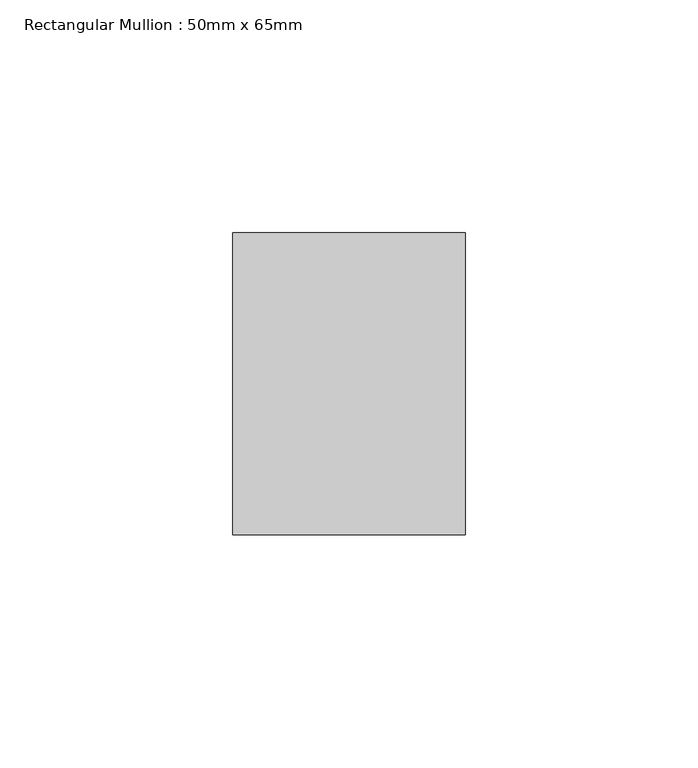
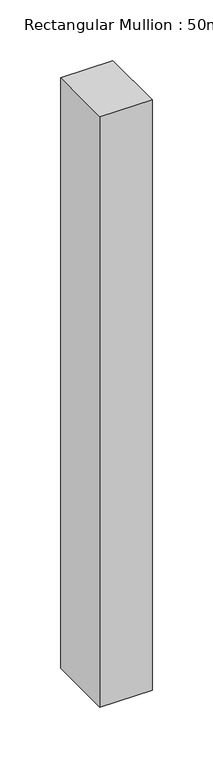
"""IFC4 building model written with IfcOpenShell, lengths in millimetres: member geometry, Rectangular Mullion : 50mm x 65mm."""

import ifcopenshell
import ifcopenshell.guid

model = None  # the IFC model being written
_history = None  # IfcOwnerHistory: only IFC2X3 demands one
_inside = {}  # id of a spatial element -> (the spatial element, [elements in it])
_under = {}  # id of a project, library or spatial element -> (it, [spatial elements below it])
_declared = {}  # id of a project -> (the project, [libraries it declares])
_typed = {}  # id of a type object -> (the type object, [elements of that type])
_made_of = {}  # id of a material, layer set ... -> (it, [elements and type objects made of it])


def new_model(schema):
    """Start an empty IFC model of exactly this schema.

    Asked for "IFC4X3", IfcOpenShell would pick the latest addendum, in which some entities
    have other attributes; the version numbers below select the first issue.
    IFC2X3 requires an IfcOwnerHistory on every rooted entity: one is made here for all.
    """
    global model, _history
    if schema == "IFC4X3":
        model = ifcopenshell.file(schema_version=(4, 3, 0, 0))
    else:
        model = ifcopenshell.file(schema=schema)
    _inside.clear()
    _under.clear()
    _declared.clear()
    _typed.clear()
    _made_of.clear()
    _history = None
    if model.schema == "IFC2X3":
        org = make("IfcOrganization", Name="unknown")
        user = make(
            "IfcPersonAndOrganization",
            ThePerson=make("IfcPerson", FamilyName="unknown"),
            TheOrganization=org,
        )
        app = make(
            "IfcApplication",
            ApplicationDeveloper=org,
            Version="unknown",
            ApplicationFullName="unknown",
            ApplicationIdentifier="unknown",
        )
        _history = make(
            "IfcOwnerHistory",
            OwningUser=user,
            OwningApplication=app,
            ChangeAction="ADDED",
            CreationDate=0,
        )
    return model


def make(cls, **values):
    """One entity of the class cls with the attributes given. An attribute that is None is left unset."""
    return model.create_entity(
        cls, **{name: value for name, value in values.items() if value is not None}
    )


def rooted(cls, **values):
    """An entity with a GlobalId (a new one), such as an element, a storey or a relation."""
    return make(cls, GlobalId=ifcopenshell.guid.new(), OwnerHistory=_history, **values)


def si_unit(unit_type, name, prefix=None):
    """IfcSIUnit, for example si_unit("LENGTHUNIT", "METRE", prefix="MILLI")."""
    return make("IfcSIUnit", UnitType=unit_type, Prefix=prefix, Name=name)


def assignment(units):
    """IfcUnitAssignment: the units of a project."""
    return None if units is None else make("IfcUnitAssignment", Units=units)


def point(xyz):
    """IfcCartesianPoint."""
    return None if xyz is None else make("IfcCartesianPoint", Coordinates=xyz)


def direction(xyz):
    """IfcDirection."""
    return None if xyz is None else make("IfcDirection", DirectionRatios=xyz)


def frame(location, z_axis=None, x_axis=None):
    """IfcAxis2Placement3D, a coordinate frame: its origin and axes. An axis left out is left unset."""
    return make(
        "IfcAxis2Placement3D",
        Location=point(location),
        Axis=direction(z_axis),
        RefDirection=direction(x_axis),
    )


def origin():
    """The frame at (0, 0, 0) with its axes left unset."""
    return frame((0.0, 0.0, 0.0))


def place(relative_to, where):
    """IfcLocalPlacement: puts the frame where relative to a parent placement (None: the world)."""
    return make(
        "IfcLocalPlacement", PlacementRelTo=relative_to, RelativePlacement=where
    )


def context(
    kind, dimensions, precision=None, world=None, true_north=None, identifier=None
):
    """IfcGeometricRepresentationContext, for example the 3D "Model" context."""
    return make(
        "IfcGeometricRepresentationContext",
        ContextIdentifier=identifier,
        ContextType=kind,
        CoordinateSpaceDimension=dimensions,
        Precision=precision,
        WorldCoordinateSystem=world,
        TrueNorth=true_north,
    )


def project(units=None, contexts=None):
    """IfcProject with its units and contexts."""
    return rooted(
        "IfcProject",
        Name="project",
        RepresentationContexts=contexts,
        UnitsInContext=assignment(units),
    )


def spatial(cls, under=None, at=None, **own):
    """A site, building, storey or space (cls), placed at a placement, below another one or the project."""
    s = rooted(cls, ObjectPlacement=at, **own)
    if under is not None:
        _under.setdefault(under.id(), (under, []))[1].append(s)
    return s


def polyline(points):
    """IfcPolyline through the points."""
    return make("IfcPolyline", Points=[point(p) for p in points])


def outline(outer, holes=None, kind="AREA"):
    """IfcArbitraryClosedProfileDef: a profile drawn as a closed curve; with holes, ...WithVoids."""
    if holes is None:
        return make("IfcArbitraryClosedProfileDef", ProfileType=kind, OuterCurve=outer)
    return make(
        "IfcArbitraryProfileDefWithVoids",
        ProfileType=kind,
        OuterCurve=outer,
        InnerCurves=holes,
    )


def extrude(swept, where, along, depth):
    """IfcExtrudedAreaSolid: the profile swept, set in the frame where, extruded along a direction by depth."""
    return make(
        "IfcExtrudedAreaSolid",
        SweptArea=swept,
        Position=where,
        ExtrudedDirection=direction(along),
        Depth=depth,
    )


def shape(context_of_items, identifier, shape_type, items):
    """IfcShapeRepresentation: the items that make up one representation, for example the "Body"."""
    return make(
        "IfcShapeRepresentation",
        ContextOfItems=context_of_items,
        RepresentationIdentifier=identifier,
        RepresentationType=shape_type,
        Items=items,
    )


def source(mapping_origin, context_of_items, identifier, shape_type, items):
    """IfcRepresentationMap: a shape defined once, which mapped items show again and again."""
    return make(
        "IfcRepresentationMap",
        MappingOrigin=mapping_origin,
        MappedRepresentation=shape(context_of_items, identifier, shape_type, items),
    )


def transform(
    local_origin,
    x_axis=None,
    y_axis=None,
    z_axis=None,
    scale=None,
    scale2=None,
    scale3=None,
    uniform=True,
):
    """IfcCartesianTransformationOperator3D, or its non-uniform kind. x_axis, y_axis, z_axis: its Axis1, 2, 3."""
    if uniform:
        return make(
            "IfcCartesianTransformationOperator3D",
            Axis1=direction(x_axis),
            Axis2=direction(y_axis),
            LocalOrigin=point(local_origin),
            Scale=scale,
            Axis3=direction(z_axis),
        )
    return make(
        "IfcCartesianTransformationOperator3DnonUniform",
        Axis1=direction(x_axis),
        Axis2=direction(y_axis),
        LocalOrigin=point(local_origin),
        Scale=scale,
        Axis3=direction(z_axis),
        Scale2=scale2,
        Scale3=scale3,
    )


def mapped(mapping_source, mapping_target):
    """IfcMappedItem: shows the shape of a source again, moved by a transform."""
    return make(
        "IfcMappedItem", MappingSource=mapping_source, MappingTarget=mapping_target
    )


def made_of(thing, what):
    """Note that an element or type object is made of a material, layer set ...; save() writes the relation."""
    if what is not None:
        _made_of.setdefault(what.id(), (what, []))[1].append(thing)
    return thing


def element(
    cls,
    number,
    at=None,
    inside=None,
    cuts=None,
    type_object=None,
    material=None,
    context=None,
    identifier="Body",
    shape_type=None,
    held_by="IfcProductDefinitionShape",
    body=None,
    shapes=None,
    **own,
):
    """One element of the class cls, such as IfcWall. Its Tag is "e" and its number.

    at: its placement. inside: the storey or other place that contains it. cuts: it is an
    opening in that element (IfcRelVoidsElement). A single representation is given by context,
    identifier, shape_type and body (its items); several are given by shapes. held_by: the class
    of the entity that holds the representations. save() writes the other relations.
    """
    e = rooted(cls, Tag="e%d" % number, ObjectPlacement=at, **own)
    if body is not None:
        shapes = [shape(context, identifier, shape_type, body)]
    if shapes is not None:
        e.Representation = make(held_by, Representations=shapes)
    if inside is not None:
        _inside.setdefault(inside.id(), (inside, []))[1].append(e)
    if cuts is not None:
        rooted(
            "IfcRelVoidsElement", RelatingBuildingElement=cuts, RelatedOpeningElement=e
        )
    if type_object is not None:
        _typed.setdefault(type_object.id(), (type_object, []))[1].append(e)
    return made_of(e, material)


def aggregate(whole, parts):
    """IfcRelAggregates: a whole, such as a stair, and the parts it consists of."""
    return rooted("IfcRelAggregates", RelatingObject=whole, RelatedObjects=parts)


def save(model, path):
    """Write the relations noted so far, then the file.

    IfcRelAggregates (storeys below a building ...), IfcRelContainedInSpatialStructure (elements
    in a storey), IfcRelDefinesByType, IfcRelAssociatesMaterial and IfcRelDeclares: one each for
    every whole, place, type object, material and project.
    """
    for whole, parts in _under.values():
        aggregate(whole, parts)
    for where, things in _inside.values():
        rooted(
            "IfcRelContainedInSpatialStructure",
            RelatedElements=things,
            RelatingStructure=where,
        )
    for kind, things in _typed.values():
        rooted("IfcRelDefinesByType", RelatedObjects=things, RelatingType=kind)
    for what, things in _made_of.values():
        rooted("IfcRelAssociatesMaterial", RelatedObjects=things, RelatingMaterial=what)
    for by, libraries in _declared.values():
        rooted("IfcRelDeclares", RelatingContext=by, RelatedDefinitions=libraries)
    model.write(path)


def rectangular_mullion_50mm_x_65mm_bb6d2f13(model_context):
    return source(origin(), model_context, "Body", "SweptSolid", [
        extrude(outline(polyline([(25.0, 32.5), (25.0, -32.5), (-25.0, -32.5), (-25.0, 32.5), (25.0, 32.5)])), frame((0.0, 0.0, -595.7758466), z_axis=(0.0, 0.0, 1.0), x_axis=(1.0, 0.0, 0.0)), (0.0, 0.0, 1.0), 595.7758466),
    ])


if __name__ == "__main__":
    model = new_model("IFC4")
    model_context = context("Model", 3, world=origin())
    ifc_project = project(units=[si_unit("LENGTHUNIT", "METRE", prefix="MILLI")], contexts=[model_context])
    site = spatial("IfcSite", under=ifc_project)
    building = spatial("IfcBuilding", under=site)
    placement = place(None, origin())
    rectangular_mullion_50mm_x_65mm_shape = rectangular_mullion_50mm_x_65mm_bb6d2f13(model_context)
    element("IfcMember", 1, ObjectType="Rectangular Mullion : 50mm x 65mm", at=placement, inside=building, context=model_context, shape_type="MappedRepresentation", body=[
        mapped(rectangular_mullion_50mm_x_65mm_shape, transform((0.0, 0.0, 0.0), x_axis=(1.0, 0.0, 0.0), y_axis=(0.0, 1.0, 0.0), z_axis=(0.0, 0.0, 1.0))),
    ])
    save(model, "model.ifc")
